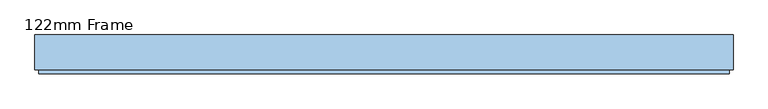
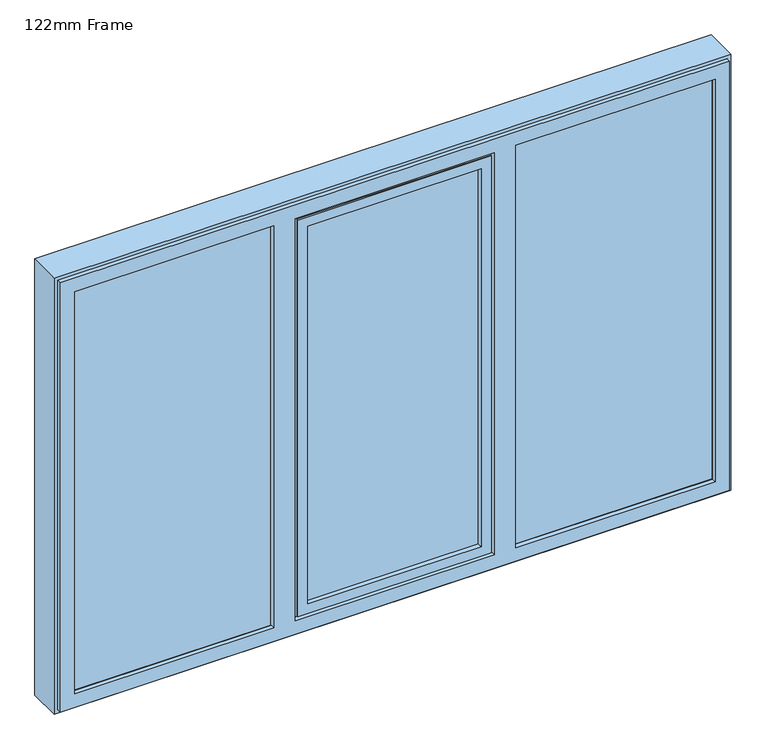
"""IFC4 building model written with IfcOpenShell, lengths in millimetres: window geometry, 122mm Frame."""

from ifc_helpers import new_model, si_unit, frame, origin, place, context, project, spatial, polyline, circle_curve, ellipse_curve, outline, extrude, faceted_brep, source, transform, mapped, element, save
from ifc_brep_helpers import plane_surface, cylinder_surface, advanced_brep


def window_122mm_frame_80ba3452(model_context):
    return source(origin(), model_context, "Body", "SolidModel", [
        extrude(outline(polyline([(-292.5333333, -141.0), (-292.5333333, -93.0), (292.5333333, -93.0), (292.5333333, -141.0), (-292.5333333, -141.0)])), frame((0.0, 0.0, 890.0), z_axis=(0.0, 0.0, 1.0), x_axis=(1.0, 0.0, 0.0)), (0.0, 0.0, 1.0), 1319.6),
        faceted_brep([(314.93318, -153.0, 2232.3998467), (314.93318, -153.0, 867.6001533), (314.93318, -148.4070391, 867.6001533), (314.93318, -148.4070391, 2232.3998467), (320.2072722, -139.5531262, 862.3260611), (320.2072722, -139.5531262, 2237.6739389), (-314.93318, -153.0, 867.6001533), (-314.93318, -148.4070391, 867.6001533), (-314.93318, -153.0, 2232.3998467), (281.7899501, -153.0, 2199.2566168), (281.7899501, -153.0, 900.7433832), (-281.7899501, -153.0, 900.7433832), (-281.7899501, -153.0, 2199.2566168), (322.0467289, -139.5531262, 860.4866045), (322.0467289, -139.5531262, 2239.5133955), (-322.0467289, -139.5531262, 2239.5133955), (-322.0467289, -139.5531262, 860.4866045), (-320.2072722, -139.5531262, 862.3260611), (-320.2072722, -139.5531262, 2237.6739389), (322.0467289, -121.0, 860.4866045), (322.0467289, -121.0, 2239.5133955), (332.0467289, -121.0, 850.4866045), (332.0467289, -121.0, 2249.5133955), (-332.0467289, -121.0, 2249.5133955), (-332.0467289, -121.0, 850.4866045), (-322.0467289, -121.0, 860.4866045), (-322.0467289, -121.0, 2239.5133955), (332.0467289, -88.5, 850.4866045), (332.0467289, -88.5, 2249.5133955), (342.8310333, -88.5, 839.7023), (342.8310333, -88.5, 2260.2977), (-342.8310333, -88.5, 2260.2977), (-342.8310333, -88.5, 839.7023), (-332.0467289, -88.5, 850.4866045), (-332.0467289, -88.5, 2249.5133955), (342.8310333, -83.5, 839.7023), (342.8310333, -83.5, 2260.2977), (-342.8310333, -83.5, 839.7023), (-342.8310333, -83.5, 2260.2977), (336.0333333, -83.5, 846.5), (336.0333333, -83.5, 2253.5), (-336.0333333, -83.5, 2253.5), (-336.0333333, -83.5, 846.5), (336.0333333, -78.0, 846.5), (336.0333333, -78.0, 2253.5), (-336.0333333, -78.0, 846.5), (-336.0333333, -78.0, 2253.5), (280.8491149, -78.0, 901.6842184), (280.8491149, -78.0, 2198.3157816), (-280.8491149, -78.0, 2198.3157816), (-280.8491149, -78.0, 901.6842184), (278.53364, -88.8934531, 903.9996933), (278.53364, -88.8934531, 2196.0003067), (278.53364, -93.0, 903.9996933), (278.53364, -93.0, 2196.0003067), (-278.53364, -88.8934531, 903.9996933), (292.5333333, -93.0, 890.0), (292.5333333, -93.0, 2210.0), (-292.5333333, -93.0, 2210.0), (-292.5333333, -93.0, 890.0), (-278.53364, -93.0, 903.9996933), (-278.53364, -93.0, 2196.0003067), (292.5333333, -141.0, 890.0), (292.5333333, -141.0, 2210.0), (-292.5333333, -141.0, 890.0), (-292.5333333, -141.0, 2210.0), (278.1211819, -141.0, 904.4121514), (278.1211819, -141.0, 2195.5878486), (-278.1211819, -141.0, 2195.5878486), (-278.1211819, -141.0, 904.4121514), (-314.93318, -148.4070391, 2232.3998467), (-278.53364, -88.8934531, 2196.0003067)], [[[0, 1, 2, 3]], [[3, 2, 4, 5]], [[1, 6, 7, 2]], [[1, 0, 8, 6], [9, 10, 11, 12]], [[13, 14, 15, 16], [5, 4, 17, 18]], [[2, 7, 17, 4]], [[14, 13, 19, 20]], [[21, 22, 23, 24], [20, 19, 25, 26]], [[13, 16, 25, 19]], [[22, 21, 27, 28]], [[29, 30, 31, 32], [28, 27, 33, 34]], [[21, 24, 33, 27]], [[30, 29, 35, 36]], [[36, 35, 37, 38], [39, 40, 41, 42]], [[29, 32, 37, 35]], [[40, 39, 43, 44]], [[44, 43, 45, 46], [47, 48, 49, 50]], [[39, 42, 45, 43]], [[48, 47, 51, 52]], [[52, 51, 53, 54]], [[47, 50, 55, 51]], [[56, 57, 58, 59], [54, 53, 60, 61]], [[51, 55, 60, 53]], [[57, 56, 62, 63]], [[63, 62, 64, 65], [66, 67, 68, 69]], [[56, 59, 64, 62]], [[67, 66, 10, 9]], [[66, 69, 11, 10]], [[6, 8, 70, 7]], [[7, 70, 18, 17]], [[16, 15, 26, 25]], [[24, 23, 34, 33]], [[32, 31, 38, 37]], [[42, 41, 46, 45]], [[50, 49, 71, 55]], [[55, 71, 61, 60]], [[59, 58, 65, 64]], [[69, 68, 12, 11]], [[8, 0, 3, 70]], [[70, 3, 5, 18]], [[15, 14, 20, 26]], [[23, 22, 28, 34]], [[31, 30, 36, 38]], [[41, 40, 44, 46]], [[49, 48, 52, 71]], [[71, 52, 54, 61]], [[58, 57, 63, 65]], [[68, 67, 9, 12]]]),
        extrude(outline(polyline([(382.7333333, -141.0), (382.7333333, -93.0), (1052.6, -93.0), (1052.6, -141.0), (382.7333333, -141.0)])), frame((0.0, 0.0, 847.4), z_axis=(0.0, 0.0, 1.0), x_axis=(1.0, 0.0, 0.0)), (0.0, 0.0, 1.0), 1405.2),
        advanced_brep(
        [(1040.9078547, -66.2562613, 2240.9078547), (1040.9078547, -66.2562613, 859.0921453), (1037.8697056, -91.0, 862.1302944), (1037.8697056, -91.0, 2237.8697056), (1061.5, -91.0, 838.5), (1061.5, -91.0, 2261.5), (373.0333333, -91.0, 2261.5), (373.0333333, -91.0, 838.5), (396.6636277, -91.0, 862.1302944), (396.6636277, -91.0, 2237.8697056), (393.6254786, -66.2562613, 859.0921453), (1042.892947, -64.5, 2242.892947), (1042.892947, -64.5, 857.107053), (1061.5, -82.0, 838.5), (1061.5, -82.0, 2261.5), (1064.0, -82.0, 836.0), (1064.0, -82.0, 2264.0), (370.5333333, -82.0, 2264.0), (370.5333333, -82.0, 836.0), (373.0333333, -82.0, 838.5), (373.0333333, -82.0, 2261.5), (1064.0, -64.5, 836.0), (1064.0, -64.5, 2264.0), (370.5333333, -64.5, 836.0), (370.5333333, -64.5, 2264.0), (391.6403863, -64.5, 2242.892947), (391.6403863, -64.5, 857.107053), (393.6254786, -66.2562613, 2240.9078547)],
        [
            (0, 1),
            (1, 2),
            (2, 3),
            (3, 0),
            (4, 5),
            (5, 6),
            (6, 7),
            (7, 4),
            (2, 8),
            (8, 9),
            (9, 3),
            (1, 10),
            (10, 8),
            (11, 12),
            (12, 1, ellipse_curve(frame((1042.892947, -66.5, 857.107053), z_axis=(0.7071067811865476, 0.0, 0.7071067811865475), x_axis=(-0.7071067811865475, 0.0, 0.7071067811865476)), 2.8284271, 2.0)),
            (0, 11, ellipse_curve(frame((1042.892947, -66.5, 2242.892947), z_axis=(0.7071067811865475, 0.0, -0.7071067811865476), x_axis=(0.7071067811865476, 0.0, 0.7071067811865475)), 2.8284271, 2.0)),
            (4, 13),
            (13, 14),
            (14, 5),
            (15, 16),
            (16, 17),
            (17, 18),
            (18, 15),
            (13, 19),
            (19, 20),
            (20, 14),
            (7, 19),
            (15, 21),
            (21, 22),
            (22, 16),
            (21, 23),
            (23, 24),
            (24, 22),
            (11, 25),
            (25, 26),
            (26, 12),
            (18, 23),
            (26, 10, ellipse_curve(frame((391.6403863, -66.5, 857.107053), z_axis=(0.7071067811865475, 0.0, -0.7071067811865476), x_axis=(0.7071067811865476, 0.0, 0.7071067811865475)), 2.8284271, 2.0)),
            (10, 27),
            (27, 9),
            (6, 20),
            (17, 24),
            (25, 27, ellipse_curve(frame((391.6403863, -66.5, 2242.892947), z_axis=(-0.7071067811865476, 0.0, -0.7071067811865475), x_axis=(0.7071067811865476, 0.0, -0.7071067811865476)), 2.8284271, 2.0)),
            (27, 0),
        ],
        [
            plane_surface(frame((1037.8697056, -91.0, 2237.8697056), z_axis=(-0.9925461516413222, 0.12186934340514619, 0.0), x_axis=(0.0, 0.0, -1.0))),
            plane_surface(frame((373.0333333, -91.0, 2261.5), z_axis=(0.0, -1.0, 0.0), x_axis=(1.0, 0.0, 0.0))),
            plane_surface(frame((1037.8697056, -91.0, 862.1302944), z_axis=(0.0, 0.12186934340514619, 0.9925461516413222), x_axis=(-1.0, 0.0, 0.0))),
            cylinder_surface(frame((1042.892947, -66.5, 2237.6), z_axis=(0.0, 0.0, 1.0), x_axis=(0.0, -1.0, 0.0)), 2.0),
            plane_surface(frame((1061.5, -82.0, 2261.5), z_axis=(1.0, 0.0, 0.0), x_axis=(0.0, 0.0, -1.0))),
            plane_surface(frame((370.5333333, -82.0, 2264.0), z_axis=(0.0, -1.0, 0.0), x_axis=(1.0, 0.0, 0.0))),
            plane_surface(frame((1061.5, -82.0, 838.5), z_axis=(0.0, 0.0, -1.0), x_axis=(-1.0, 0.0, 0.0))),
            plane_surface(frame((1064.0, -64.5, 2264.0), z_axis=(1.0, 0.0, 0.0), x_axis=(0.0, 0.0, -1.0))),
            plane_surface(frame((391.6403863, -64.5, 2242.892947), z_axis=(0.0, 1.0, 0.0), x_axis=(1.0, 0.0, 0.0))),
            plane_surface(frame((1064.0, -64.5, 836.0), z_axis=(0.0, 0.0, -1.0), x_axis=(-1.0, 0.0, 0.0))),
            cylinder_surface(frame((1037.6, -66.5, 857.107053), z_axis=(1.0, 0.0, 0.0), x_axis=(0.0, -1.0, 0.0)), 2.0),
            plane_surface(frame((396.6636277, -91.0, 862.1302944), z_axis=(0.9925461516413222, 0.12186934340514619, 0.0), x_axis=(0.0, 0.0, 1.0))),
            plane_surface(frame((373.0333333, -82.0, 838.5), z_axis=(-1.0, 0.0, 0.0), x_axis=(0.0, 0.0, 1.0))),
            plane_surface(frame((370.5333333, -64.5, 836.0), z_axis=(-1.0, 0.0, 0.0), x_axis=(0.0, 0.0, 1.0))),
            cylinder_surface(frame((391.6403863, -66.5, 862.4), z_axis=(0.0, 0.0, -1.0), x_axis=(0.0, -1.0, 0.0)), 2.0),
            plane_surface(frame((396.6636277, -91.0, 2237.8697056), z_axis=(0.0, 0.12186934340514619, -0.9925461516413222), x_axis=(1.0, 0.0, 0.0))),
            plane_surface(frame((373.0333333, -82.0, 2261.5), z_axis=(0.0, 0.0, 1.0), x_axis=(1.0, 0.0, 0.0))),
            plane_surface(frame((370.5333333, -64.5, 2264.0), z_axis=(0.0, 0.0, 1.0), x_axis=(1.0, 0.0, 0.0))),
            cylinder_surface(frame((396.9333333, -66.5, 2242.892947), z_axis=(-1.0, 0.0, 0.0), x_axis=(0.0, -1.0, 0.0)), 2.0),
        ],
        [
            (0, [[1, 2, 3, 4]]),
            (1, [[5, 6, 7, 8], [-3, 9, 10, 11]]),
            (2, [[12, 13, -9, -2]]),
            (3, [[14, 15, -1, 16]]),
            (4, [[-5, 17, 18, 19]]),
            (5, [[20, 21, 22, 23], [-18, 24, 25, 26]]),
            (6, [[-8, 27, -24, -17]]),
            (7, [[-20, 28, 29, 30]]),
            (8, [[-29, 31, 32, 33], [-14, 34, 35, 36]]),
            (9, [[-23, 37, -31, -28]]),
            (10, [[-36, 38, -12, -15]]),
            (11, [[39, 40, -10, -13]]),
            (12, [[-7, 41, -25, -27]]),
            (13, [[-22, 42, -32, -37]]),
            (14, [[-35, 43, -39, -38]]),
            (15, [[44, -4, -11, -40]]),
            (16, [[-6, -19, -26, -41]]),
            (17, [[-21, -30, -33, -42]]),
            (18, [[-34, -16, -44, -43]]),
        ],
    ),
        advanced_brep(
        [(-1064.0, -83.0, 2264.0), (-1064.0, -83.0, 836.0), (-1064.0, -35.0, 836.0), (-1064.0, -35.0, 2264.0), (-1067.0, -32.0, 833.0), (-1067.0, -32.0, 2267.0), (-370.5333333, -83.0, 836.0), (-370.5333333, -35.0, 836.0), (1064.0, -35.0, 836.0), (370.5333333, -35.0, 836.0), (370.5333333, -83.0, 836.0), (1064.0, -83.0, 836.0), (-346.5333333, -83.0, 836.0), (346.5333333, -83.0, 836.0), (346.5333333, -35.0, 836.0), (-346.5333333, -35.0, 836.0), (370.5333333, -83.0, 838.0), (1062.0, -83.0, 838.0), (1062.0, -83.0, 2262.0), (370.5333333, -83.0, 2262.0), (370.5333333, -83.0, 2264.0), (1064.0, -83.0, 2264.0), (-346.5333333, -83.0, 838.0), (346.5333333, -83.0, 838.0), (-370.5333333, -83.0, 2264.0), (-370.5333333, -83.0, 2262.0), (-1062.0, -83.0, 2262.0), (-1062.0, -83.0, 838.0), (-370.5333333, -83.0, 838.0), (-346.5333333, -83.0, 2264.0), (346.5333333, -83.0, 2264.0), (346.5333333, -83.0, 2262.0), (-346.5333333, -83.0, 2262.0), (-1062.0, -91.0, 2262.0), (-1062.0, -91.0, 838.0), (370.5333333, -91.0, 838.0), (1062.0, -91.0, 838.0), (-370.5333333, -91.0, 838.0), (346.5333333, -91.0, 838.0), (-346.5333333, -91.0, 838.0), (370.5333333, -91.0, 2262.0), (1062.0, -91.0, 2262.0), (1055.7805994, -91.0, 844.2194006), (1055.7805994, -91.0, 2255.7805994), (378.7333333, -91.0, 2255.7805994), (378.7333333, -91.0, 844.2194006), (-370.5333333, -91.0, 2262.0), (-1055.7805994, -91.0, 844.2194006), (-378.7333333, -91.0, 844.2194006), (-378.7333333, -91.0, 2255.7805994), (-1055.7805994, -91.0, 2255.7805994), (-346.5333333, -91.0, 2262.0), (346.5333333, -91.0, 2262.0), (-338.3333333, -91.0, 844.2194006), (338.3333333, -91.0, 844.2194006), (338.3333333, -91.0, 2255.7805994), (-338.3333333, -91.0, 2255.7805994), (-1038.0131086, -143.3877115, 2238.0131086), (-1038.0131086, -143.3877115, 861.9868914), (-1038.0131086, -142.0, 861.9868914), (-1038.0131086, -142.0, 2238.0131086), (1062.2226568, -142.0, 837.7773432), (372.4713207, -142.0, 837.7773432), (372.4713207, -142.0, 2262.2226568), (1062.2226568, -142.0, 2262.2226568), (1038.0131086, -142.0, 2238.0131086), (396.9444907, -142.0, 2238.0131086), (396.9444907, -142.0, 861.9868914), (1038.0131086, -142.0, 861.9868914), (-1062.2226568, -142.0, 2262.2226568), (-372.4713207, -142.0, 2262.2226568), (-372.4713207, -142.0, 837.7773432), (-1062.2226568, -142.0, 837.7773432), (-396.9444907, -142.0, 861.9868914), (-396.9444907, -142.0, 2238.0131086), (-344.5953459, -142.0, 2262.2226568), (344.5953459, -142.0, 2262.2226568), (344.5953459, -142.0, 837.7773432), (-344.5953459, -142.0, 837.7773432), (-320.1221759, -142.0, 861.9868914), (320.1221759, -142.0, 861.9868914), (320.1221759, -142.0, 2238.0131086), (-320.1221759, -142.0, 2238.0131086), (396.5202248, -143.3877115, 861.9868914), (1038.0131086, -143.3877115, 861.9868914), (-396.5202248, -143.3877115, 861.9868914), (-320.5464419, -143.3877115, 861.9868914), (320.5464419, -143.3877115, 861.9868914), (-1041.2576108, -154.0, 2241.2576108), (-1041.2576108, -154.0, 858.7423892), (393.2757226, -154.0, 858.7423892), (1041.2576108, -154.0, 858.7423892), (-393.2757226, -154.0, 858.7423892), (-323.7909441, -154.0, 858.7423892), (323.7909441, -154.0, 858.7423892), (1088.0, -154.0, 812.0), (1088.0, -154.0, 2288.0), (-1088.0, -154.0, 2288.0), (-1088.0, -154.0, 812.0), (393.2757226, -154.0, 2241.2576108), (1041.2576108, -154.0, 2241.2576108), (-323.7909441, -154.0, 2241.2576108), (323.7909441, -154.0, 2241.2576108), (-393.2757226, -154.0, 2241.2576108), (-1088.0, -90.5, 2288.0), (-1088.0, -90.5, 812.0), (-370.5333333, -90.5, 812.0), (-370.5333333, -86.5, 812.0), (-1088.0, -86.5, 812.0), (-1088.0, -32.0, 812.0), (1088.0, -32.0, 812.0), (1088.0, -86.5, 812.0), (370.5333333, -86.5, 812.0), (370.5333333, -90.5, 812.0), (1088.0, -90.5, 812.0), (-346.5333333, -86.5, 812.0), (-346.5333333, -90.5, 812.0), (346.5333333, -90.5, 812.0), (346.5333333, -86.5, 812.0), (370.5333333, -90.5, 819.0), (1081.0, -90.5, 819.0), (1081.0, -90.5, 2281.0), (370.5333333, -90.5, 2281.0), (370.5333333, -90.5, 2288.0), (1088.0, -90.5, 2288.0), (-346.5333333, -90.5, 819.0), (346.5333333, -90.5, 819.0), (-346.5333333, -90.5, 2288.0), (346.5333333, -90.5, 2288.0), (346.5333333, -90.5, 2281.0), (-346.5333333, -90.5, 2281.0), (-370.5333333, -90.5, 2288.0), (-370.5333333, -90.5, 2281.0), (-1081.0, -90.5, 2281.0), (-1081.0, -90.5, 819.0), (-370.5333333, -90.5, 819.0), (-370.5333333, -32.0, 833.0), (346.5333333, -32.0, 833.0), (-346.5333333, -32.0, 833.0), (1067.0, -32.0, 833.0), (370.5333333, -32.0, 833.0), (-370.5333333, -86.5, 819.0), (-370.5333333, -35.0, 2264.0), (-370.5333333, -32.0, 2267.0), (-370.5333333, -86.5, 2288.0), (-370.5333333, -86.5, 2281.0), (1064.0, -35.0, 2264.0), (370.5333333, -86.5, 819.0), (370.5333333, -32.0, 2267.0), (370.5333333, -35.0, 2264.0), (370.5333333, -86.5, 2281.0), (370.5333333, -86.5, 2288.0), (-346.5333333, -86.5, 819.0), (-346.5333333, -32.0, 2267.0), (-346.5333333, -35.0, 2264.0), (-346.5333333, -86.5, 2281.0), (-346.5333333, -86.5, 2288.0), (346.5333333, -86.5, 819.0), (346.5333333, -35.0, 2264.0), (346.5333333, -32.0, 2267.0), (346.5333333, -86.5, 2288.0), (346.5333333, -86.5, 2281.0), (-396.5202248, -143.3877115, 2238.0131086), (1038.0131086, -143.3877115, 2238.0131086), (396.5202248, -143.3877115, 2238.0131086), (-320.5464419, -143.3877115, 2238.0131086), (320.5464419, -143.3877115, 2238.0131086), (1081.0, -86.5, 819.0), (1088.0, -86.5, 2288.0), (1081.0, -86.5, 2281.0), (-1081.0, -86.5, 2281.0), (-1088.0, -86.5, 2288.0), (-1081.0, -86.5, 819.0), (1088.0, -32.0, 2288.0), (-1088.0, -32.0, 2288.0), (1067.0, -32.0, 2267.0)],
        [
            (0, 1),
            (1, 2),
            (2, 3),
            (3, 0),
            (2, 4, ellipse_curve(frame((-1067.0, -35.0, 833.0), z_axis=(-0.7071067811865475, 0.0, 0.7071067811865475), x_axis=(0.7071067811865474, 0.0, 0.7071067811865476)), 4.2426407, 3.0)),
            (4, 5),
            (5, 3, ellipse_curve(frame((-1067.0, -35.0, 2267.0), z_axis=(-0.7071067811865475, 0.0, -0.7071067811865475), x_axis=(-0.7071067811865474, 0.0, 0.7071067811865476)), 4.2426407, 3.0)),
            (1, 6),
            (6, 7),
            (7, 2),
            (8, 9),
            (9, 10),
            (10, 11),
            (11, 8),
            (12, 13),
            (13, 14),
            (14, 15),
            (15, 12),
            (10, 16),
            (16, 17),
            (17, 18),
            (18, 19),
            (19, 20),
            (20, 21),
            (21, 11),
            (22, 23),
            (23, 13),
            (12, 22),
            (0, 24),
            (24, 25),
            (25, 26),
            (26, 27),
            (27, 28),
            (28, 6),
            (29, 30),
            (30, 31),
            (31, 32),
            (32, 29),
            (33, 34),
            (34, 27),
            (26, 33),
            (16, 35),
            (35, 36),
            (36, 17),
            (34, 37),
            (37, 28),
            (38, 23),
            (22, 39),
            (39, 38),
            (35, 40),
            (40, 41),
            (41, 36),
            (42, 43),
            (43, 44),
            (44, 45),
            (45, 42),
            (33, 46),
            (46, 37),
            (47, 48),
            (48, 49),
            (49, 50),
            (50, 47),
            (51, 52),
            (52, 38),
            (39, 51),
            (53, 54),
            (54, 55),
            (55, 56),
            (56, 53),
            (57, 58),
            (58, 59),
            (59, 60),
            (60, 57),
            (61, 62),
            (62, 63),
            (63, 64),
            (64, 61),
            (65, 66),
            (66, 67),
            (67, 68),
            (68, 65),
            (69, 70),
            (70, 71),
            (71, 72),
            (72, 69),
            (59, 73),
            (73, 74),
            (74, 60),
            (75, 76),
            (76, 77),
            (77, 78),
            (78, 75),
            (79, 80),
            (80, 81),
            (81, 82),
            (82, 79),
            (67, 83),
            (83, 84),
            (84, 68),
            (58, 85),
            (85, 73),
            (86, 87),
            (87, 80),
            (79, 86),
            (57, 88),
            (88, 89),
            (89, 58),
            (83, 90),
            (90, 91),
            (91, 84),
            (89, 92),
            (92, 85),
            (93, 94),
            (94, 87),
            (86, 93),
            (95, 96),
            (96, 97),
            (97, 98),
            (98, 95),
            (90, 99),
            (99, 100),
            (100, 91),
            (93, 101),
            (101, 102),
            (102, 94),
            (88, 103),
            (103, 92),
            (104, 105),
            (105, 98),
            (97, 104),
            (105, 106),
            (106, 107),
            (107, 108),
            (108, 109),
            (109, 110),
            (110, 111),
            (111, 112),
            (112, 113),
            (113, 114),
            (114, 95),
            (115, 116),
            (116, 117),
            (117, 118),
            (118, 115),
            (113, 119),
            (119, 120),
            (120, 121),
            (121, 122),
            (122, 123),
            (123, 124),
            (124, 114),
            (125, 126),
            (126, 117),
            (116, 125),
            (127, 128),
            (128, 129),
            (129, 130),
            (130, 127),
            (104, 131),
            (131, 132),
            (132, 133),
            (133, 134),
            (134, 135),
            (135, 106),
            (7, 136, circle_curve(frame((-370.5333333, -35.0, 833.0), z_axis=(-1.0, 0.0, 0.0), x_axis=(0.0, -1.0, 0.0)), 3.0)),
            (136, 4),
            (14, 137, circle_curve(frame((346.5333333, -35.0, 833.0), z_axis=(-1.0, 0.0, 0.0), x_axis=(0.0, -1.0, 0.0)), 3.0)),
            (137, 138),
            (138, 15, circle_curve(frame((-346.5333333, -35.0, 833.0), z_axis=(1.0, 0.0, 0.0), x_axis=(0.0, -1.0, 0.0)), 3.0)),
            (139, 140),
            (140, 9, circle_curve(frame((370.5333333, -35.0, 833.0), z_axis=(1.0, 0.0, 0.0), x_axis=(0.0, -1.0, 0.0)), 3.0)),
            (8, 139, ellipse_curve(frame((1067.0, -35.0, 833.0), z_axis=(-0.7071067811865475, 0.0, -0.7071067811865475), x_axis=(-0.7071067811865476, 0.0, 0.7071067811865474)), 4.2426407, 3.0)),
            (135, 141),
            (141, 107),
            (46, 25),
            (24, 142),
            (142, 143, circle_curve(frame((-370.5333333, -35.0, 2267.0), z_axis=(1.0, 0.0, 0.0), x_axis=(0.0, -1.0, 0.0)), 3.0)),
            (143, 136),
            (144, 145),
            (145, 132),
            (131, 144),
            (21, 146),
            (146, 8),
            (112, 147),
            (147, 119),
            (148, 149, circle_curve(frame((370.5333333, -35.0, 2267.0), z_axis=(-1.0, 0.0, 0.0), x_axis=(0.0, -1.0, 0.0)), 3.0)),
            (149, 20),
            (19, 40),
            (140, 148),
            (122, 150),
            (150, 151),
            (151, 123),
            (115, 152),
            (152, 125),
            (153, 154, circle_curve(frame((-346.5333333, -35.0, 2267.0), z_axis=(-1.0, 0.0, 0.0), x_axis=(0.0, -1.0, 0.0)), 3.0)),
            (154, 29),
            (32, 51),
            (138, 153),
            (130, 155),
            (155, 156),
            (156, 127),
            (126, 157),
            (157, 118),
            (52, 31),
            (30, 158),
            (158, 159, circle_curve(frame((346.5333333, -35.0, 2267.0), z_axis=(1.0, 0.0, 0.0), x_axis=(0.0, -1.0, 0.0)), 3.0)),
            (159, 137),
            (160, 161),
            (161, 129),
            (128, 160),
            (41, 18),
            (103, 162),
            (162, 74),
            (84, 163),
            (163, 65),
            (66, 164),
            (164, 99),
            (82, 165),
            (165, 101),
            (102, 166),
            (166, 81),
            (100, 163),
            (124, 96),
            (157, 152),
            (167, 147),
            (111, 168),
            (168, 151),
            (150, 169),
            (169, 167),
            (170, 145),
            (144, 171),
            (171, 108),
            (141, 172),
            (172, 170),
            (155, 161),
            (160, 156),
            (173, 168),
            (110, 173),
            (109, 174),
            (174, 173),
            (143, 5),
            (159, 153),
            (175, 148),
            (139, 175),
            (171, 174),
            (146, 175, ellipse_curve(frame((1067.0, -35.0, 2267.0), z_axis=(0.7071067811865475, 0.0, -0.7071067811865475), x_axis=(-0.7071067811865474, 0.0, -0.7071067811865476)), 4.2426407, 3.0)),
            (64, 43),
            (42, 61),
            (62, 45),
            (44, 63),
            (71, 48),
            (47, 72),
            (77, 54),
            (53, 78),
            (50, 69),
            (70, 49),
            (56, 75),
            (76, 55),
            (172, 134),
            (133, 170),
            (167, 120),
            (169, 121),
            (3, 142),
            (149, 146),
            (154, 158),
            (162, 57),
            (166, 165),
            (163, 164),
        ],
        [
            plane_surface(frame((-1064.0, -35.0, 2264.0), z_axis=(1.0, 0.0, 0.0), x_axis=(0.0, 0.0, -1.0))),
            cylinder_surface(frame((-1067.0, -35.0, 2288.0), z_axis=(0.0, 0.0, 1.0), x_axis=(0.0, -1.0, 0.0)), 3.0),
            plane_surface(frame((-1064.0, -35.0, 836.0), z_axis=(0.0, 0.0, 1.0), x_axis=(1.0, 0.0, 0.0))),
            plane_surface(frame((1064.0, -83.0, 2264.0), z_axis=(0.0, 1.0, 0.0), x_axis=(-1.0, 0.0, 0.0))),
            plane_surface(frame((-1062.0, -83.0, 2262.0), z_axis=(1.0, 0.0, 0.0), x_axis=(0.0, 0.0, -1.0))),
            plane_surface(frame((-1062.0, -83.0, 838.0), z_axis=(0.0, 0.0, 1.0), x_axis=(1.0, 0.0, 0.0))),
            plane_surface(frame((1062.0, -91.0, 2262.0), z_axis=(0.0, 1.0, 0.0), x_axis=(-1.0, 0.0, 0.0))),
            plane_surface(frame((-1038.0131086, -142.0, 2238.0131086), z_axis=(1.0, 0.0, 0.0), x_axis=(0.0, 0.0, -1.0))),
            plane_surface(frame((1062.2226568, -142.0, 2262.2226568), z_axis=(0.0, 1.0, 0.0), x_axis=(-1.0, 0.0, 0.0))),
            plane_surface(frame((-1038.0131086, -142.0, 861.9868914), z_axis=(0.0, 0.0, 1.0), x_axis=(1.0, 0.0, 0.0))),
            plane_surface(frame((-1038.0131086, -143.3877115, 2238.0131086), z_axis=(0.9563047559629367, -0.29237170472305973, 0.0), x_axis=(0.0, 0.0, -1.0))),
            plane_surface(frame((-1038.0131086, -143.3877115, 861.9868914), z_axis=(0.0, -0.29237170472305973, 0.9563047559629367), x_axis=(1.0, 0.0, 0.0))),
            plane_surface(frame((1041.2576108, -154.0, 2241.2576108), z_axis=(0.0, -1.0, 0.0), x_axis=(-1.0, 0.0, 0.0))),
            plane_surface(frame((-1088.0, -154.0, 2288.0), z_axis=(-1.0, 0.0, 0.0), x_axis=(0.0, 0.0, -1.0))),
            plane_surface(frame((-1088.0, -154.0, 812.0), z_axis=(0.0, 0.0, -1.0), x_axis=(1.0, 0.0, 0.0))),
            plane_surface(frame((1088.0, -90.5, 2288.0), z_axis=(0.0, 1.0, 0.0), x_axis=(-1.0, 0.0, 0.0))),
            cylinder_surface(frame((-1088.0, -35.0, 833.0), z_axis=(-1.0, 0.0, 0.0), x_axis=(0.0, -1.0, 0.0)), 3.0),
            plane_surface(frame((-370.5333333, -91.0, 2288.0), z_axis=(-1.0, 0.0, 0.0), x_axis=(0.0, 0.0, -1.0))),
            plane_surface(frame((1064.0, -35.0, 836.0), z_axis=(-1.0, 0.0, 0.0), x_axis=(0.0, 0.0, 1.0))),
            plane_surface(frame((370.5333333, -32.0, 2288.0), z_axis=(1.0, 0.0, 0.0), x_axis=(0.0, 0.0, -1.0))),
            plane_surface(frame((-346.5333333, -32.0, 2288.0), z_axis=(1.0, 0.0, 0.0), x_axis=(0.0, 0.0, -1.0))),
            plane_surface(frame((346.5333333, -91.0, 2288.0), z_axis=(-1.0, 0.0, 0.0), x_axis=(0.0, 0.0, -1.0))),
            plane_surface(frame((1062.0, -83.0, 838.0), z_axis=(-1.0, 0.0, 0.0), x_axis=(0.0, 0.0, 1.0))),
            plane_surface(frame((-393.2757226, -154.0, 2288.0), z_axis=(-0.9563047559631505, -0.292371704722361, 0.0), x_axis=(0.0, 0.0, -1.0))),
            plane_surface(frame((1038.0131086, -142.0, 861.9868914), z_axis=(-1.0, 0.0, 0.0), x_axis=(0.0, 0.0, 1.0))),
            plane_surface(frame((396.9444907, -142.0, 2288.0), z_axis=(0.9563047559631015, -0.2923717047225209, 0.0), x_axis=(0.0, 0.0, -1.0))),
            plane_surface(frame((-320.1221759, -142.0, 2288.0), z_axis=(0.9563047559631462, -0.29237170472237467, 0.0), x_axis=(0.0, 0.0, -1.0))),
            plane_surface(frame((323.7909441, -154.0, 2288.0), z_axis=(-0.9563047559631029, -0.29237170472251645, 0.0), x_axis=(0.0, 0.0, -1.0))),
            plane_surface(frame((1038.0131086, -143.3877115, 861.9868914), z_axis=(-0.9563047559629367, -0.29237170472305973, 0.0), x_axis=(0.0, 0.0, 1.0))),
            plane_surface(frame((1088.0, -154.0, 812.0), z_axis=(1.0, 0.0, 0.0), x_axis=(0.0, 0.0, 1.0))),
            plane_surface(frame((1081.0, -86.5, 2281.0), z_axis=(0.0, -1.0, 0.0), x_axis=(-1.0, 0.0, 0.0))),
            plane_surface(frame((1088.0, -86.5, 812.0), z_axis=(1.0, 0.0, 0.0), x_axis=(0.0, 0.0, 1.0))),
            plane_surface(frame((1088.0, -32.0, 2288.0), z_axis=(0.0, 1.0, 0.0), x_axis=(-1.0, 0.0, 0.0))),
            plane_surface(frame((-1088.0, -86.5, 2288.0), z_axis=(-1.0, 0.0, 0.0), x_axis=(0.0, 0.0, -1.0))),
            cylinder_surface(frame((1067.0, -35.0, 812.0), z_axis=(0.0, 0.0, -1.0), x_axis=(0.0, -1.0, 0.0)), 3.0),
            plane_surface(frame((1055.7805994, -91.0, 844.2194006), z_axis=(-0.9921164934933605, -0.12531904619186565, 0.0), x_axis=(0.0, 0.0, 1.0))),
            plane_surface(frame((378.7333333, -91.0, 2288.0), z_axis=(0.9925461516413214, -0.12186934340515236, 0.0), x_axis=(0.0, 0.0, -1.0))),
            plane_surface(frame((-1055.7805994, -91.0, 844.2194006), z_axis=(0.0, -0.12531904619186565, 0.9921164934933605), x_axis=(1.0, 0.0, 0.0))),
            plane_surface(frame((-1055.7805994, -91.0, 2255.7805994), z_axis=(0.9921164934933605, -0.12531904619186565, 0.0), x_axis=(0.0, 0.0, -1.0))),
            plane_surface(frame((-372.4713207, -142.0, 2288.0), z_axis=(-0.9925461516413182, -0.12186934340517895, 0.0), x_axis=(0.0, 0.0, -1.0))),
            plane_surface(frame((-338.3333333, -91.0, 2288.0), z_axis=(0.9925461516413226, -0.12186934340514352, 0.0), x_axis=(0.0, 0.0, -1.0))),
            plane_surface(frame((344.5953459, -142.0, 2288.0), z_axis=(-0.9925461516413181, -0.12186934340518009, 0.0), x_axis=(0.0, 0.0, -1.0))),
            plane_surface(frame((-1081.0, -90.5, 2281.0), z_axis=(-1.0, 0.0, 0.0), x_axis=(0.0, 0.0, -1.0))),
            plane_surface(frame((-1081.0, -90.5, 819.0), z_axis=(0.0, 0.0, -1.0), x_axis=(1.0, 0.0, 0.0))),
            plane_surface(frame((1081.0, -90.5, 819.0), z_axis=(1.0, 0.0, 0.0), x_axis=(0.0, 0.0, 1.0))),
            plane_surface(frame((1064.0, -35.0, 2264.0), z_axis=(0.0, 0.0, -1.0), x_axis=(-1.0, 0.0, 0.0))),
            plane_surface(frame((1062.0, -83.0, 2262.0), z_axis=(0.0, 0.0, -1.0), x_axis=(-1.0, 0.0, 0.0))),
            plane_surface(frame((1038.0131086, -142.0, 2238.0131086), z_axis=(0.0, 0.0, -1.0), x_axis=(-1.0, 0.0, 0.0))),
            plane_surface(frame((1038.0131086, -143.3877115, 2238.0131086), z_axis=(0.0, -0.29237170472305973, -0.9563047559629367), x_axis=(-1.0, 0.0, 0.0))),
            plane_surface(frame((1088.0, -154.0, 2288.0), z_axis=(0.0, 0.0, 1.0), x_axis=(-1.0, 0.0, 0.0))),
            cylinder_surface(frame((1088.0, -35.0, 2267.0), z_axis=(1.0, 0.0, 0.0), x_axis=(0.0, -1.0, 0.0)), 3.0),
            plane_surface(frame((1081.0, -90.5, 2281.0), z_axis=(0.0, 0.0, 1.0), x_axis=(-1.0, 0.0, 0.0))),
            plane_surface(frame((1055.7805994, -91.0, 2255.7805994), z_axis=(0.0, -0.12531904619186565, -0.9921164934933605), x_axis=(-1.0, 0.0, 0.0))),
        ],
        [
            (0, [[1, 2, 3, 4]]),
            (1, [[5, 6, 7, -3]]),
            (2, [[8, 9, 10, -2]]),
            (2, [[11, 12, 13, 14]]),
            (2, [[15, 16, 17, 18]]),
            (3, [[-13, 19, 20, 21, 22, 23, 24, 25]]),
            (3, [[26, 27, -15, 28]]),
            (3, [[29, 30, 31, 32, 33, 34, -8, -1]]),
            (3, [[35, 36, 37, 38]]),
            (4, [[39, 40, -32, 41]]),
            (5, [[-20, 42, 43, 44]]),
            (5, [[45, 46, -33, -40]]),
            (5, [[47, -26, 48, 49]]),
            (6, [[-43, 50, 51, 52], [53, 54, 55, 56]]),
            (6, [[57, 58, -45, -39], [59, 60, 61, 62]]),
            (6, [[63, 64, -49, 65], [66, 67, 68, 69]]),
            (7, [[70, 71, 72, 73]]),
            (8, [[74, 75, 76, 77], [78, 79, 80, 81]]),
            (8, [[82, 83, 84, 85], [86, 87, 88, -72]]),
            (8, [[89, 90, 91, 92], [93, 94, 95, 96]]),
            (9, [[-80, 97, 98, 99]]),
            (9, [[100, 101, -86, -71]]),
            (9, [[102, 103, -93, 104]]),
            (10, [[105, 106, 107, -70]]),
            (11, [[-98, 108, 109, 110]]),
            (11, [[111, 112, -100, -107]]),
            (11, [[113, 114, -102, 115]]),
            (12, [[116, 117, 118, 119], [-109, 120, 121, 122], [123, 124, 125, -113], [126, 127, -111, -106]]),
            (13, [[128, 129, -118, 130]]),
            (14, [[131, 132, 133, 134, 135, 136, 137, 138, 139, 140, -119, -129], [141, 142, 143, 144]]),
            (15, [[-139, 145, 146, 147, 148, 149, 150, 151]]),
            (15, [[152, 153, -142, 154]]),
            (15, [[155, 156, 157, 158]]),
            (15, [[159, 160, 161, 162, 163, 164, -131, -128]]),
            (16, [[-10, 165, 166, -5]]),
            (16, [[-17, 167, 168, 169]]),
            (16, [[170, 171, -11, 172]]),
            (17, [[-164, 173, 174, -132]]),
            (17, [[-165, -9, -34, -46, -58, 175, -30, 176, 177, 178]]),
            (17, [[179, 180, -160, 181]]),
            (18, [[-25, 182, 183, -14]]),
            (19, [[184, 185, -145, -138]]),
            (19, [[186, 187, -23, 188, -50, -42, -19, -12, -171, 189]]),
            (19, [[-149, 190, 191, 192]]),
            (20, [[193, 194, -154, -141]]),
            (20, [[195, 196, -38, 197, -65, -48, -28, -18, -169, 198]]),
            (20, [[-158, 199, 200, 201]]),
            (21, [[-153, 202, 203, -143]]),
            (21, [[-167, -16, -27, -47, -64, 204, -36, 205, 206, 207]]),
            (21, [[208, 209, -156, 210]]),
            (22, [[-52, 211, -21, -44]]),
            (23, [[-101, -112, -127, 212, 213, -87]]),
            (24, [[214, 215, -81, -99]]),
            (25, [[216, 217, -120, -108, -97, -79]]),
            (26, [[218, 219, -123, -115, -104, -96]]),
            (27, [[-103, -114, -125, 220, 221, -94]]),
            (28, [[-122, 222, -214, -110]]),
            (29, [[-151, 223, -116, -140]]),
            (30, [[-144, -203, 224, -193]]),
            (30, [[225, -184, -137, 226, 227, -191, 228, 229]]),
            (30, [[230, -179, 231, 232, -133, -174, 233, 234]]),
            (30, [[235, -208, 236, -200]]),
            (31, [[237, -226, -136, 238]]),
            (32, [[239, 240, -238, -135], [-166, -178, 241, -6], [-198, -168, -207, 242], [243, -189, -170, 244]]),
            (33, [[-134, -232, 245, -239]]),
            (34, [[246, -244, -172, -183]]),
            (35, [[247, -53, 248, -77]]),
            (36, [[249, -55, 250, -75]]),
            (37, [[-56, -249, -74, -248]]),
            (37, [[-84, 251, -59, 252]]),
            (37, [[253, -66, 254, -91]]),
            (38, [[-252, -62, 255, -85]]),
            (39, [[-251, -83, 256, -60]]),
            (40, [[257, -92, -254, -69]]),
            (41, [[258, -67, -253, -90]]),
            (42, [[-234, 259, -162, 260]]),
            (43, [[-146, -185, -225, 261]]),
            (43, [[-233, -173, -163, -259]]),
            (43, [[-224, -202, -152, -194]]),
            (44, [[-229, 262, -147, -261]]),
            (45, [[263, -176, -29, -4]]),
            (45, [[-24, -187, 264, -182]]),
            (45, [[265, -205, -35, -196]]),
            (46, [[-31, -175, -57, -41]]),
            (46, [[-37, -204, -63, -197]]),
            (46, [[-188, -22, -211, -51]]),
            (47, [[-88, -213, 266, -73]]),
            (47, [[-95, -221, 267, -218]]),
            (47, [[268, -216, -78, -215]]),
            (48, [[-266, -212, -126, -105]]),
            (48, [[-267, -220, -124, -219]]),
            (48, [[-121, -217, -268, -222]]),
            (49, [[-223, -150, -192, -227, -237, -240, -245, -231, -181, -159, -130, -117], [-201, -236, -210, -155]]),
            (50, [[-264, -186, -243, -246]]),
            (50, [[-241, -177, -263, -7]]),
            (50, [[-242, -206, -265, -195]]),
            (51, [[-161, -180, -230, -260]]),
            (51, [[-157, -209, -235, -199]]),
            (51, [[-228, -190, -148, -262]]),
            (52, [[-61, -256, -82, -255]]),
            (52, [[-68, -258, -89, -257]]),
            (52, [[-250, -54, -247, -76]]),
        ],
    ),
        extrude(outline(polyline([(2300.0, -1100.0), (800.0, -1100.0), (800.0, 1100.0), (2300.0, 1100.0), (2300.0, -1100.0)]), holes=[polyline([(2288.0, 1088.0), (812.0, 1088.0), (812.0, -1088.0), (2288.0, -1088.0), (2288.0, 1088.0)])]), frame((0.0, -141.0, 0.0), z_axis=(0.0, 1.0, 0.0), x_axis=(0.0, 0.0, 1.0)), (0.0, 0.0, 1.0), 109.0),
        extrude(outline(polyline([(-1052.6, -141.0), (-1052.6, -93.0), (-382.7333333, -93.0), (-382.7333333, -141.0), (-1052.6, -141.0)])), frame((0.0, 0.0, 847.4), z_axis=(0.0, 0.0, 1.0), x_axis=(1.0, 0.0, 0.0)), (0.0, 0.0, 1.0), 1405.2),
        advanced_brep(
        [(-1037.8697056, -91.0, 2237.8697056), (-1037.8697056, -91.0, 862.1302944), (-1040.9078547, -66.2562613, 859.0921453), (-1040.9078547, -66.2562613, 2240.9078547), (-1042.892947, -64.5, 857.107053), (-1042.892947, -64.5, 2242.892947), (-396.6636277, -91.0, 862.1302944), (-393.6254786, -66.2562613, 859.0921453), (-1061.5, -91.0, 2261.5), (-1061.5, -91.0, 838.5), (-373.0333333, -91.0, 838.5), (-373.0333333, -91.0, 2261.5), (-396.6636277, -91.0, 2237.8697056), (-1061.5, -82.0, 2261.5), (-1061.5, -82.0, 838.5), (-373.0333333, -82.0, 838.5), (-1064.0, -82.0, 2264.0), (-1064.0, -82.0, 836.0), (-370.5333333, -82.0, 836.0), (-370.5333333, -82.0, 2264.0), (-373.0333333, -82.0, 2261.5), (-1064.0, -64.5, 2264.0), (-1064.0, -64.5, 836.0), (-370.5333333, -64.5, 836.0), (-370.5333333, -64.5, 2264.0), (-391.6403863, -64.5, 857.107053), (-391.6403863, -64.5, 2242.892947), (-393.6254786, -66.2562613, 2240.9078547)],
        [
            (0, 1),
            (1, 2),
            (2, 3),
            (3, 0),
            (2, 4, ellipse_curve(frame((-1042.892947, -66.5, 857.107053), z_axis=(-0.7071067811865475, 0.0, 0.7071067811865475), x_axis=(0.7071067811865474, 0.0, 0.7071067811865476)), 2.8284271, 2.0)),
            (4, 5),
            (5, 3, ellipse_curve(frame((-1042.892947, -66.5, 2242.892947), z_axis=(-0.7071067811865475, 0.0, -0.7071067811865475), x_axis=(-0.7071067811865474, 0.0, 0.7071067811865476)), 2.8284271, 2.0)),
            (1, 6),
            (6, 7),
            (7, 2),
            (8, 9),
            (9, 10),
            (10, 11),
            (11, 8),
            (0, 12),
            (12, 6),
            (13, 14),
            (14, 9),
            (8, 13),
            (14, 15),
            (15, 10),
            (16, 17),
            (17, 18),
            (18, 19),
            (19, 16),
            (13, 20),
            (20, 15),
            (21, 22),
            (22, 17),
            (16, 21),
            (22, 23),
            (23, 18),
            (21, 24),
            (24, 23),
            (4, 25),
            (25, 26),
            (26, 5),
            (7, 25, ellipse_curve(frame((-391.6403863, -66.5, 857.107053), z_axis=(-0.7071067811865475, 0.0, -0.7071067811865475), x_axis=(-0.7071067811865476, 0.0, 0.7071067811865474)), 2.8284271, 2.0)),
            (12, 27),
            (27, 7),
            (20, 11),
            (24, 19),
            (27, 26, ellipse_curve(frame((-391.6403863, -66.5, 2242.892947), z_axis=(0.7071067811865475, 0.0, -0.7071067811865475), x_axis=(-0.7071067811865474, 0.0, -0.7071067811865476)), 2.8284271, 2.0)),
            (3, 27),
        ],
        [
            plane_surface(frame((-1040.9078547, -66.2562613, 2240.9078547), z_axis=(0.9925461516413222, 0.12186934340514631, 0.0), x_axis=(0.0, 0.0, -1.0))),
            cylinder_surface(frame((-1042.892947, -66.5, 2237.6), z_axis=(0.0, 0.0, 1.0), x_axis=(0.0, -1.0, 0.0)), 2.0),
            plane_surface(frame((-1040.9078547, -66.2562613, 859.0921453), z_axis=(0.0, 0.12186934340514631, 0.9925461516413222), x_axis=(1.0, 0.0, 0.0))),
            plane_surface(frame((-396.6636277, -91.0, 2237.8697056), z_axis=(0.0, -1.0, 0.0), x_axis=(-1.0, 0.0, 0.0))),
            plane_surface(frame((-1061.5, -91.0, 2261.5), z_axis=(-1.0, 0.0, 0.0), x_axis=(0.0, 0.0, -1.0))),
            plane_surface(frame((-1061.5, -91.0, 838.5), z_axis=(0.0, 0.0, -1.0), x_axis=(1.0, 0.0, 0.0))),
            plane_surface(frame((-373.0333333, -82.0, 2261.5), z_axis=(0.0, -1.0, 0.0), x_axis=(-1.0, 0.0, 0.0))),
            plane_surface(frame((-1064.0, -82.0, 2264.0), z_axis=(-1.0, 0.0, 0.0), x_axis=(0.0, 0.0, -1.0))),
            plane_surface(frame((-1064.0, -82.0, 836.0), z_axis=(0.0, 0.0, -1.0), x_axis=(1.0, 0.0, 0.0))),
            plane_surface(frame((-370.5333333, -64.5, 2264.0), z_axis=(0.0, 1.0, 0.0), x_axis=(-1.0, 0.0, 0.0))),
            cylinder_surface(frame((-1037.6, -66.5, 857.107053), z_axis=(-1.0, 0.0, 0.0), x_axis=(0.0, -1.0, 0.0)), 2.0),
            plane_surface(frame((-393.6254786, -66.2562613, 859.0921453), z_axis=(-0.9925461516413222, 0.12186934340514631, 0.0), x_axis=(0.0, 0.0, 1.0))),
            plane_surface(frame((-373.0333333, -91.0, 838.5), z_axis=(1.0, 0.0, 0.0), x_axis=(0.0, 0.0, 1.0))),
            plane_surface(frame((-370.5333333, -82.0, 836.0), z_axis=(1.0, 0.0, 0.0), x_axis=(0.0, 0.0, 1.0))),
            cylinder_surface(frame((-391.6403863, -66.5, 862.4), z_axis=(0.0, 0.0, -1.0), x_axis=(0.0, -1.0, 0.0)), 2.0),
            plane_surface(frame((-393.6254786, -66.2562613, 2240.9078547), z_axis=(0.0, 0.12186934340514631, -0.9925461516413222), x_axis=(-1.0, 0.0, 0.0))),
            plane_surface(frame((-373.0333333, -91.0, 2261.5), z_axis=(0.0, 0.0, 1.0), x_axis=(-1.0, 0.0, 0.0))),
            plane_surface(frame((-370.5333333, -82.0, 2264.0), z_axis=(0.0, 0.0, 1.0), x_axis=(-1.0, 0.0, 0.0))),
            cylinder_surface(frame((-396.9333333, -66.5, 2242.892947), z_axis=(1.0, 0.0, 0.0), x_axis=(0.0, -1.0, 0.0)), 2.0),
        ],
        [
            (0, [[1, 2, 3, 4]]),
            (1, [[-3, 5, 6, 7]]),
            (2, [[8, 9, 10, -2]]),
            (3, [[11, 12, 13, 14], [-1, 15, 16, -8]]),
            (4, [[17, 18, -11, 19]]),
            (5, [[20, 21, -12, -18]]),
            (6, [[22, 23, 24, 25], [-17, 26, 27, -20]]),
            (7, [[28, 29, -22, 30]]),
            (8, [[31, 32, -23, -29]]),
            (9, [[-28, 33, 34, -31], [-6, 35, 36, 37]]),
            (10, [[-10, 38, -35, -5]]),
            (11, [[-16, 39, 40, -9]]),
            (12, [[-27, 41, -13, -21]]),
            (13, [[-34, 42, -24, -32]]),
            (14, [[-40, 43, -36, -38]]),
            (15, [[-15, -4, 44, -39]]),
            (16, [[-26, -19, -14, -41]]),
            (17, [[-33, -30, -25, -42]]),
            (18, [[-44, -7, -37, -43]]),
        ],
    ),
    ])


if __name__ == "__main__":
    model = new_model("IFC4")
    model_context = context("Model", 3, world=origin())
    ifc_project = project(units=[si_unit("LENGTHUNIT", "METRE", prefix="MILLI")], contexts=[model_context])
    site = spatial("IfcSite", under=ifc_project)
    building = spatial("IfcBuilding", under=site)
    placement = place(None, origin())
    window_122mm_frame_shape = window_122mm_frame_80ba3452(model_context)
    element("IfcWindow", 1, ObjectType="122mm Frame", at=placement, inside=building, context=model_context, shape_type="MappedRepresentation", body=[
        mapped(window_122mm_frame_shape, transform((0.0, 0.0, 0.0), x_axis=(1.0, 0.0, 0.0), y_axis=(0.0, 1.0, 0.0), z_axis=(0.0, 0.0, 1.0))),
    ])
    save(model, "model.ifc")
